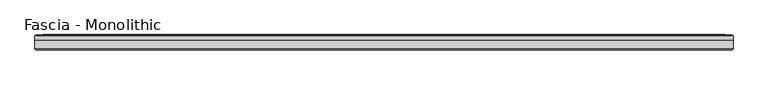
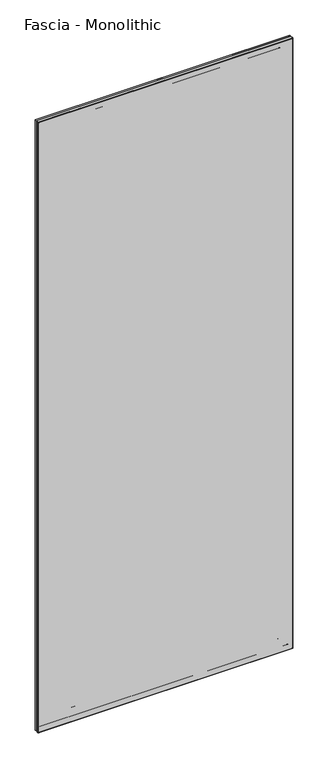
"""IFC4 building model written with IfcOpenShell, lengths in millimetres: proxy geometry, Fascia - Monolithic."""

import ifcopenshell
import ifcopenshell.guid

model = None  # the IFC model being written
_history = None  # IfcOwnerHistory: only IFC2X3 demands one
_inside = {}  # id of a spatial element -> (the spatial element, [elements in it])
_under = {}  # id of a project, library or spatial element -> (it, [spatial elements below it])
_declared = {}  # id of a project -> (the project, [libraries it declares])
_typed = {}  # id of a type object -> (the type object, [elements of that type])
_made_of = {}  # id of a material, layer set ... -> (it, [elements and type objects made of it])


def new_model(schema):
    """Start an empty IFC model of exactly this schema.

    Asked for "IFC4X3", IfcOpenShell would pick the latest addendum, in which some entities
    have other attributes; the version numbers below select the first issue.
    IFC2X3 requires an IfcOwnerHistory on every rooted entity: one is made here for all.
    """
    global model, _history
    if schema == "IFC4X3":
        model = ifcopenshell.file(schema_version=(4, 3, 0, 0))
    else:
        model = ifcopenshell.file(schema=schema)
    _inside.clear()
    _under.clear()
    _declared.clear()
    _typed.clear()
    _made_of.clear()
    _history = None
    if model.schema == "IFC2X3":
        org = make("IfcOrganization", Name="unknown")
        user = make(
            "IfcPersonAndOrganization",
            ThePerson=make("IfcPerson", FamilyName="unknown"),
            TheOrganization=org,
        )
        app = make(
            "IfcApplication",
            ApplicationDeveloper=org,
            Version="unknown",
            ApplicationFullName="unknown",
            ApplicationIdentifier="unknown",
        )
        _history = make(
            "IfcOwnerHistory",
            OwningUser=user,
            OwningApplication=app,
            ChangeAction="ADDED",
            CreationDate=0,
        )
    return model


def make(cls, **values):
    """One entity of the class cls with the attributes given. An attribute that is None is left unset."""
    return model.create_entity(
        cls, **{name: value for name, value in values.items() if value is not None}
    )


def rooted(cls, **values):
    """An entity with a GlobalId (a new one), such as an element, a storey or a relation."""
    return make(cls, GlobalId=ifcopenshell.guid.new(), OwnerHistory=_history, **values)


def si_unit(unit_type, name, prefix=None):
    """IfcSIUnit, for example si_unit("LENGTHUNIT", "METRE", prefix="MILLI")."""
    return make("IfcSIUnit", UnitType=unit_type, Prefix=prefix, Name=name)


def assignment(units):
    """IfcUnitAssignment: the units of a project."""
    return None if units is None else make("IfcUnitAssignment", Units=units)


def point(xyz):
    """IfcCartesianPoint."""
    return None if xyz is None else make("IfcCartesianPoint", Coordinates=xyz)


def direction(xyz):
    """IfcDirection."""
    return None if xyz is None else make("IfcDirection", DirectionRatios=xyz)


def frame(location, z_axis=None, x_axis=None):
    """IfcAxis2Placement3D, a coordinate frame: its origin and axes. An axis left out is left unset."""
    return make(
        "IfcAxis2Placement3D",
        Location=point(location),
        Axis=direction(z_axis),
        RefDirection=direction(x_axis),
    )


def origin():
    """The frame at (0, 0, 0) with its axes left unset."""
    return frame((0.0, 0.0, 0.0))


def place(relative_to, where):
    """IfcLocalPlacement: puts the frame where relative to a parent placement (None: the world)."""
    return make(
        "IfcLocalPlacement", PlacementRelTo=relative_to, RelativePlacement=where
    )


def context(
    kind, dimensions, precision=None, world=None, true_north=None, identifier=None
):
    """IfcGeometricRepresentationContext, for example the 3D "Model" context."""
    return make(
        "IfcGeometricRepresentationContext",
        ContextIdentifier=identifier,
        ContextType=kind,
        CoordinateSpaceDimension=dimensions,
        Precision=precision,
        WorldCoordinateSystem=world,
        TrueNorth=true_north,
    )


def project(units=None, contexts=None):
    """IfcProject with its units and contexts."""
    return rooted(
        "IfcProject",
        Name="project",
        RepresentationContexts=contexts,
        UnitsInContext=assignment(units),
    )


def spatial(cls, under=None, at=None, **own):
    """A site, building, storey or space (cls), placed at a placement, below another one or the project."""
    s = rooted(cls, ObjectPlacement=at, **own)
    if under is not None:
        _under.setdefault(under.id(), (under, []))[1].append(s)
    return s


def ellipse_curve(where, semi_axis1, semi_axis2):
    """IfcEllipse in the frame where."""
    return make(
        "IfcEllipse", Position=where, SemiAxis1=semi_axis1, SemiAxis2=semi_axis2
    )


def shape(context_of_items, identifier, shape_type, items):
    """IfcShapeRepresentation: the items that make up one representation, for example the "Body"."""
    return make(
        "IfcShapeRepresentation",
        ContextOfItems=context_of_items,
        RepresentationIdentifier=identifier,
        RepresentationType=shape_type,
        Items=items,
    )


def source(mapping_origin, context_of_items, identifier, shape_type, items):
    """IfcRepresentationMap: a shape defined once, which mapped items show again and again."""
    return make(
        "IfcRepresentationMap",
        MappingOrigin=mapping_origin,
        MappedRepresentation=shape(context_of_items, identifier, shape_type, items),
    )


def transform(
    local_origin,
    x_axis=None,
    y_axis=None,
    z_axis=None,
    scale=None,
    scale2=None,
    scale3=None,
    uniform=True,
):
    """IfcCartesianTransformationOperator3D, or its non-uniform kind. x_axis, y_axis, z_axis: its Axis1, 2, 3."""
    if uniform:
        return make(
            "IfcCartesianTransformationOperator3D",
            Axis1=direction(x_axis),
            Axis2=direction(y_axis),
            LocalOrigin=point(local_origin),
            Scale=scale,
            Axis3=direction(z_axis),
        )
    return make(
        "IfcCartesianTransformationOperator3DnonUniform",
        Axis1=direction(x_axis),
        Axis2=direction(y_axis),
        LocalOrigin=point(local_origin),
        Scale=scale,
        Axis3=direction(z_axis),
        Scale2=scale2,
        Scale3=scale3,
    )


def mapped(mapping_source, mapping_target):
    """IfcMappedItem: shows the shape of a source again, moved by a transform."""
    return make(
        "IfcMappedItem", MappingSource=mapping_source, MappingTarget=mapping_target
    )


def made_of(thing, what):
    """Note that an element or type object is made of a material, layer set ...; save() writes the relation."""
    if what is not None:
        _made_of.setdefault(what.id(), (what, []))[1].append(thing)
    return thing


def element(
    cls,
    number,
    at=None,
    inside=None,
    cuts=None,
    type_object=None,
    material=None,
    context=None,
    identifier="Body",
    shape_type=None,
    held_by="IfcProductDefinitionShape",
    body=None,
    shapes=None,
    **own,
):
    """One element of the class cls, such as IfcWall. Its Tag is "e" and its number.

    at: its placement. inside: the storey or other place that contains it. cuts: it is an
    opening in that element (IfcRelVoidsElement). A single representation is given by context,
    identifier, shape_type and body (its items); several are given by shapes. held_by: the class
    of the entity that holds the representations. save() writes the other relations.
    """
    e = rooted(cls, Tag="e%d" % number, ObjectPlacement=at, **own)
    if body is not None:
        shapes = [shape(context, identifier, shape_type, body)]
    if shapes is not None:
        e.Representation = make(held_by, Representations=shapes)
    if inside is not None:
        _inside.setdefault(inside.id(), (inside, []))[1].append(e)
    if cuts is not None:
        rooted(
            "IfcRelVoidsElement", RelatingBuildingElement=cuts, RelatedOpeningElement=e
        )
    if type_object is not None:
        _typed.setdefault(type_object.id(), (type_object, []))[1].append(e)
    return made_of(e, material)


def aggregate(whole, parts):
    """IfcRelAggregates: a whole, such as a stair, and the parts it consists of."""
    return rooted("IfcRelAggregates", RelatingObject=whole, RelatedObjects=parts)


def save(model, path):
    """Write the relations noted so far, then the file.

    IfcRelAggregates (storeys below a building ...), IfcRelContainedInSpatialStructure (elements
    in a storey), IfcRelDefinesByType, IfcRelAssociatesMaterial and IfcRelDeclares: one each for
    every whole, place, type object, material and project.
    """
    for whole, parts in _under.values():
        aggregate(whole, parts)
    for where, things in _inside.values():
        rooted(
            "IfcRelContainedInSpatialStructure",
            RelatedElements=things,
            RelatingStructure=where,
        )
    for kind, things in _typed.values():
        rooted("IfcRelDefinesByType", RelatedObjects=things, RelatingType=kind)
    for what, things in _made_of.values():
        rooted("IfcRelAssociatesMaterial", RelatedObjects=things, RelatingMaterial=what)
    for by, libraries in _declared.values():
        rooted("IfcRelDeclares", RelatingContext=by, RelatedDefinitions=libraries)
    model.write(path)


def plane_surface(at):
    """IfcPlane: the flat surface through the origin of the frame at, square to its z axis."""
    return make("IfcPlane", Position=at)


def cylinder_surface(at, radius):
    """IfcCylindricalSurface: all points at the distance radius from the z axis of the frame at."""
    return make("IfcCylindricalSurface", Position=at, Radius=radius)


def advanced_brep(points, edges, surfaces, faces):
    """IfcAdvancedBrep: a solid bounded by faces that lie on surfaces and meet in shared edges.

    An edge is (start, end): straight between two places in points (the first is 0);
    or (start, end, curve); or (start, end, curve, False) where it runs against its curve.
    A face is (place in surfaces, loops), or (place, loops, False) where it looks against
    its surface's normal. A loop lists edges by number (the first is 1), with a minus sign
    where the edge is run from its end to its start. The first loop is the outer one.
    """
    corners = [point(p) for p in points]
    vertices = [make("IfcVertexPoint", VertexGeometry=c) for c in corners]
    made = []
    for start, end, *more in edges:
        made.append(
            make(
                "IfcEdgeCurve",
                EdgeStart=vertices[start],
                EdgeEnd=vertices[end],
                EdgeGeometry=more[0] if more else make("IfcPolyline", Points=[corners[start], corners[end]]),
                SameSense=more[1] if len(more) > 1 else True,
            )
        )
    hull = []
    for where, loops, *sense in faces:
        bounds = []
        for j, loop in enumerate(loops):
            ring = [make("IfcOrientedEdge", EdgeElement=made[abs(k) - 1], Orientation=k > 0) for k in loop]
            bounds.append(
                make(
                    "IfcFaceOuterBound" if j == 0 else "IfcFaceBound",
                    Bound=make("IfcEdgeLoop", EdgeList=ring),
                    Orientation=True,
                )
            )
        hull.append(make("IfcAdvancedFace", Bounds=bounds, FaceSurface=surfaces[where], SameSense=sense[0] if sense else True))
    return make("IfcAdvancedBrep", Outer=make("IfcClosedShell", CfsFaces=hull))


def fascia_monolithic_079d96c7(model_context):
    return source(origin(), model_context, "Body", "AdvancedBrep", [
        advanced_brep(
        [(-545.4436421, 15.8650077, 46.2434077), (545.4436421, 15.8650077, 46.2434077), (545.7130498, 16.7386, 45.974), (-545.7130498, 16.7386, 45.974), (-546.6174575, 14.6911923, 45.0695923), (546.6174575, 14.6911923, 45.0695923), (-539.5308575, 15.8650077, 52.1561923), (539.5308575, 15.8650077, 52.1561923), (538.3570421, 14.6911923, 53.3300077), (-538.3570421, 14.6911923, 53.3300077), (-539.2614498, 16.7386, 52.4256), (539.2614498, 16.7386, 52.4256), (-522.9800498, 15.5956, 68.707), (522.9800498, 15.5956, 68.707), (523.7420498, 16.7386, 67.945), (-523.7420498, 16.7386, 67.945), (-510.6610498, 8.4836, 81.026), (510.6610498, 8.4836, 81.026), (510.6610498, 15.5956, 81.026), (-510.6610498, 15.5956, 81.026), (-591.6870498, 15.2146, 0.0), (591.6870498, 15.2146, 0.0), (591.6870498, 8.4836, 0.0), (-591.6870498, 8.4836, 0.0), (-590.1630498, 16.7386, 1.524), (590.1630498, 16.7386, 1.524), (-588.1156421, 15.8650077, 3.5714077), (588.1156421, 15.8650077, 3.5714077), (588.3850498, 16.7386, 3.302), (-588.3850498, 16.7386, 3.302), (-589.2894575, 14.6911923, 2.3975923), (589.2894575, 14.6911923, 2.3975923), (-582.2028575, 15.8650077, 9.4841923), (582.2028575, 15.8650077, 9.4841923), (581.0290421, 14.6911923, 10.6580077), (-581.0290421, 14.6911923, 10.6580077), (-581.9334498, 16.7386, 9.7536), (581.9334498, 16.7386, 9.7536), (-577.0439498, 16.7386, 14.6431), (577.0439498, 16.7386, 14.6431), (578.5679498, 16.7386, 13.1191), (-578.5679498, 16.7386, 13.1191), (-571.0749498, 16.7386, 20.6121), (571.0749498, 16.7386, 20.6121), (573.4879498, 16.7386, 18.1991), (-573.4879498, 16.7386, 18.1991), (545.4436421, 15.8650077, 2946.4799923), (545.7130498, 16.7386, 2946.7494), (546.6174575, 14.6911923, 2947.6538077), (539.5308575, 15.8650077, 2940.5672077), (538.3570421, 14.6911923, 2939.3933923), (539.2614498, 16.7386, 2940.2978), (522.9800498, 15.5956, 2924.0164), (523.7420498, 16.7386, 2924.7784), (510.6610498, 8.4836, 2911.6974), (510.6610498, 15.5956, 2911.6974), (591.6870498, 15.2146, 2992.7234), (591.6870498, 8.4836, 2992.7234), (590.1630498, 16.7386, 2991.1994), (588.1156421, 15.8650077, 2989.1519923), (588.3850498, 16.7386, 2989.4214), (589.2894575, 14.6911923, 2990.3258077), (582.2028575, 15.8650077, 2983.2392077), (581.0290421, 14.6911923, 2982.0653923), (581.9334498, 16.7386, 2982.9698), (577.0439498, 16.7386, 2978.0803), (578.5679498, 16.7386, 2979.6043), (571.0749498, 16.7386, 2972.1113), (573.4879498, 16.7386, 2974.5243), (-545.4436421, 15.8650077, 2946.4799923), (-545.7130498, 16.7386, 2946.7494), (-546.6174575, 14.6911923, 2947.6538077), (-539.5308575, 15.8650077, 2940.5672077), (-538.3570421, 14.6911923, 2939.3933923), (-539.2614498, 16.7386, 2940.2978), (-522.9800498, 15.5956, 2924.0164), (-523.7420498, 16.7386, 2924.7784), (-510.6610498, 8.4836, 2911.6974), (-510.6610498, 15.5956, 2911.6974), (-591.6870498, 15.2146, 2992.7234), (-591.6870498, 8.4836, 2992.7234), (-590.1630498, 16.7386, 2991.1994), (-588.1156421, 15.8650077, 2989.1519923), (-588.3850498, 16.7386, 2989.4214), (-589.2894575, 14.6911923, 2990.3258077), (-582.2028575, 15.8650077, 2983.2392077), (-581.0290421, 14.6911923, 2982.0653923), (-581.9334498, 16.7386, 2982.9698), (-577.0439498, 16.7386, 2978.0803), (-578.5679498, 16.7386, 2979.6043), (-571.0749498, 16.7386, 2972.1113), (-573.4879498, 16.7386, 2974.5243)],
        [
            (0, 1),
            (1, 2, ellipse_curve(frame((545.8092344, 16.2306, 45.8778154), z_axis=(-0.7071067811865475, 0.0, -0.7071067811865475), x_axis=(-0.7071067811865476, 0.0, 0.7071067811865474)), 0.7311846, 0.5170256)),
            (2, 3),
            (3, 0, ellipse_curve(frame((-545.8092344, 16.2306, 45.8778154), z_axis=(0.7071067811865475, 0.0, -0.7071067811865475), x_axis=(-0.7071067811865476, 0.0, -0.7071067811865474)), 0.7311846, 0.5170256)),
            (4, 5),
            (5, 1),
            (0, 4),
            (6, 7),
            (7, 8),
            (8, 9),
            (9, 6),
            (10, 11),
            (11, 7, ellipse_curve(frame((539.1652651, 16.2306, 52.5217846), z_axis=(-0.7071067811865475, 0.0, -0.7071067811865475), x_axis=(-0.7071067811865476, 0.0, 0.7071067811865474)), 0.7311846, 0.5170256)),
            (6, 10, ellipse_curve(frame((-539.1652651, 16.2306, 52.5217846), z_axis=(0.7071067811865475, 0.0, -0.7071067811865475), x_axis=(-0.7071067811865476, 0.0, -0.7071067811865474)), 0.7311846, 0.5170256)),
            (12, 13),
            (13, 14),
            (14, 15),
            (15, 12),
            (16, 17),
            (17, 18),
            (18, 19),
            (19, 16),
            (20, 21),
            (21, 22),
            (22, 23),
            (23, 20),
            (24, 25),
            (25, 21),
            (20, 24),
            (26, 27),
            (27, 28, ellipse_curve(frame((588.4812344, 16.2306, 3.2058154), z_axis=(-0.7071067811865475, 0.0, -0.7071067811865475), x_axis=(-0.7071067811865476, 0.0, 0.7071067811865474)), 0.7311846, 0.5170256)),
            (28, 29),
            (29, 26, ellipse_curve(frame((-588.4812344, 16.2306, 3.2058154), z_axis=(0.7071067811865475, 0.0, -0.7071067811865475), x_axis=(-0.7071067811865476, 0.0, -0.7071067811865474)), 0.7311846, 0.5170256)),
            (30, 31),
            (31, 27),
            (26, 30),
            (32, 33),
            (33, 34),
            (34, 35),
            (35, 32),
            (36, 37),
            (37, 33, ellipse_curve(frame((581.8372651, 16.2306, 9.8497846), z_axis=(-0.7071067811865475, 0.0, -0.7071067811865475), x_axis=(-0.7071067811865476, 0.0, 0.7071067811865474)), 0.7311846, 0.5170256)),
            (32, 36, ellipse_curve(frame((-581.8372651, 16.2306, 9.8497846), z_axis=(0.7071067811865475, 0.0, -0.7071067811865475), x_axis=(-0.7071067811865476, 0.0, -0.7071067811865474)), 0.7311846, 0.5170256)),
            (38, 39),
            (39, 40, ellipse_curve(frame((577.8059498, 16.7386, 13.8811), z_axis=(-0.7071067811865475, 0.0, -0.7071067811865475), x_axis=(-0.7071067811865476, 0.0, 0.7071067811865474)), 1.0776307, 0.762)),
            (40, 41),
            (41, 38, ellipse_curve(frame((-577.8059498, 16.7386, 13.8811), z_axis=(0.7071067811865475, 0.0, -0.7071067811865475), x_axis=(-0.7071067811865476, 0.0, -0.7071067811865474)), 1.0776307, 0.762)),
            (42, 43),
            (43, 44, ellipse_curve(frame((572.2814498, 16.0202269, 19.4056), z_axis=(-0.7071067811865475, 0.0, -0.7071067811865475), x_axis=(-0.7071067811865476, 0.0, 0.7071067811865474)), 1.9858007, 1.4041731)),
            (44, 45),
            (45, 42, ellipse_curve(frame((-572.2814498, 16.0202269, 19.4056), z_axis=(0.7071067811865475, 0.0, -0.7071067811865475), x_axis=(-0.7071067811865476, 0.0, -0.7071067811865474)), 1.9858007, 1.4041731)),
            (1, 46),
            (46, 47, ellipse_curve(frame((545.8092344, 16.2306, 2946.8455846), z_axis=(0.7071067811865475, 0.0, -0.7071067811865475), x_axis=(-0.7071067811865474, 0.0, -0.7071067811865476)), 0.7311846, 0.5170256)),
            (47, 2),
            (5, 48),
            (48, 46),
            (7, 49),
            (49, 50),
            (50, 8),
            (11, 51),
            (51, 49, ellipse_curve(frame((539.1652651, 16.2306, 2940.2016154), z_axis=(0.7071067811865475, 0.0, -0.7071067811865475), x_axis=(-0.7071067811865474, 0.0, -0.7071067811865476)), 0.7311846, 0.5170256)),
            (13, 52),
            (52, 53),
            (53, 14),
            (17, 54),
            (54, 55),
            (55, 18),
            (21, 56),
            (56, 57),
            (57, 22),
            (25, 58),
            (58, 56),
            (27, 59),
            (59, 60, ellipse_curve(frame((588.4812344, 16.2306, 2989.5175846), z_axis=(0.7071067811865475, 0.0, -0.7071067811865475), x_axis=(-0.7071067811865474, 0.0, -0.7071067811865476)), 0.7311846, 0.5170256)),
            (60, 28),
            (31, 61),
            (61, 59),
            (33, 62),
            (62, 63),
            (63, 34),
            (37, 64),
            (64, 62, ellipse_curve(frame((581.8372651, 16.2306, 2982.8736154), z_axis=(0.7071067811865475, 0.0, -0.7071067811865475), x_axis=(-0.7071067811865474, 0.0, -0.7071067811865476)), 0.7311846, 0.5170256)),
            (39, 65),
            (65, 66, ellipse_curve(frame((577.8059498, 16.7386, 2978.8423), z_axis=(0.7071067811865475, 0.0, -0.7071067811865475), x_axis=(-0.7071067811865474, 0.0, -0.7071067811865476)), 1.0776307, 0.762)),
            (66, 40),
            (43, 67),
            (67, 68, ellipse_curve(frame((572.2814498, 16.0202269, 2973.3178), z_axis=(0.7071067811865475, 0.0, -0.7071067811865475), x_axis=(-0.7071067811865474, 0.0, -0.7071067811865476)), 1.9858007, 1.4041731)),
            (68, 44),
            (46, 69),
            (69, 70, ellipse_curve(frame((-545.8092344, 16.2306, 2946.8455846), z_axis=(0.7071067811865475, 0.0, 0.7071067811865475), x_axis=(0.7071067811865476, 0.0, -0.7071067811865474)), 0.7311846, 0.5170256)),
            (70, 47),
            (48, 71),
            (71, 69),
            (49, 72),
            (72, 73),
            (73, 50),
            (51, 74),
            (74, 72, ellipse_curve(frame((-539.1652651, 16.2306, 2940.2016154), z_axis=(0.7071067811865475, 0.0, 0.7071067811865475), x_axis=(0.7071067811865476, 0.0, -0.7071067811865474)), 0.7311846, 0.5170256)),
            (52, 75),
            (75, 76),
            (76, 53),
            (54, 77),
            (77, 78),
            (78, 55),
            (56, 79),
            (79, 80),
            (80, 57),
            (58, 81),
            (81, 79),
            (59, 82),
            (82, 83, ellipse_curve(frame((-588.4812344, 16.2306, 2989.5175846), z_axis=(0.7071067811865475, 0.0, 0.7071067811865475), x_axis=(0.7071067811865476, 0.0, -0.7071067811865474)), 0.7311846, 0.5170256)),
            (83, 60),
            (61, 84),
            (84, 82),
            (62, 85),
            (85, 86),
            (86, 63),
            (64, 87),
            (87, 85, ellipse_curve(frame((-581.8372651, 16.2306, 2982.8736154), z_axis=(0.7071067811865475, 0.0, 0.7071067811865475), x_axis=(0.7071067811865476, 0.0, -0.7071067811865474)), 0.7311846, 0.5170256)),
            (65, 88),
            (88, 89, ellipse_curve(frame((-577.8059498, 16.7386, 2978.8423), z_axis=(0.7071067811865475, 0.0, 0.7071067811865475), x_axis=(0.7071067811865476, 0.0, -0.7071067811865474)), 1.0776307, 0.762)),
            (89, 66),
            (67, 90),
            (90, 91, ellipse_curve(frame((-572.2814498, 16.0202269, 2973.3178), z_axis=(0.7071067811865475, 0.0, 0.7071067811865475), x_axis=(0.7071067811865476, 0.0, -0.7071067811865474)), 1.9858007, 1.4041731)),
            (91, 68),
            (42, 90),
            (70, 3),
            (69, 0),
            (71, 4),
            (73, 9),
            (72, 6),
            (74, 10),
            (76, 15),
            (75, 12),
            (78, 19),
            (77, 16),
            (80, 23),
            (79, 20),
            (81, 24),
            (83, 29),
            (82, 26),
            (84, 30),
            (86, 35),
            (85, 32),
            (87, 36),
            (89, 41),
            (88, 38),
            (91, 45),
        ],
        [
            cylinder_surface(frame((-591.6870498, 16.2306, 45.8778154), z_axis=(-1.0, 0.0, 0.0), x_axis=(0.0, 0.0, 1.0)), 0.5170256),
            plane_surface(frame((-545.4436421, 15.8650077, 46.2434077), z_axis=(0.0, -0.7071067813016592, 0.7071067810714359), x_axis=(1.0, 0.0, 0.0))),
            plane_surface(frame((-538.3570421, 14.6911923, 53.3300077), z_axis=(0.0, -0.7071067813016237, -0.7071067810714713), x_axis=(1.0, 0.0, 0.0))),
            cylinder_surface(frame((-591.6870498, 16.2306, 52.5217846), z_axis=(-1.0, 0.0, 0.0), x_axis=(0.0, 0.0, 1.0)), 0.5170256),
            plane_surface(frame((-523.7420498, 16.7386, 67.945), z_axis=(0.0, 0.554700195976685, 0.8320502945035398), x_axis=(1.0, 0.0, 0.0))),
            plane_surface(frame((-510.6610498, 15.5956, 81.026), z_axis=(0.0, 0.0, 1.0), x_axis=(1.0, 0.0, 0.0))),
            plane_surface(frame((-591.6870498, 8.4836, 0.0), z_axis=(0.0, 0.0, -1.0), x_axis=(1.0, 0.0, 0.0))),
            plane_surface(frame((-591.6870498, 15.2146, 0.0), z_axis=(0.0, 0.7071067811865392, -0.7071067811865558), x_axis=(1.0, 0.0, 0.0))),
            cylinder_surface(frame((-591.6870498, 16.2306, 3.2058154), z_axis=(-1.0, 0.0, 0.0), x_axis=(0.0, 0.0, 1.0)), 0.5170256),
            plane_surface(frame((-588.1156421, 15.8650077, 3.5714077), z_axis=(0.0, -0.707106781113895, 0.7071067812592001), x_axis=(1.0, 0.0, 0.0))),
            plane_surface(frame((-581.0290421, 14.6911923, 10.6580077), z_axis=(0.0, -0.7071067811880475, -0.7071067811850476), x_axis=(1.0, 0.0, 0.0))),
            cylinder_surface(frame((-591.6870498, 16.2306, 9.8497846), z_axis=(-1.0, 0.0, 0.0), x_axis=(0.0, 0.0, 1.0)), 0.5170256),
            cylinder_surface(frame((-591.6870498, 16.7386, 13.8811), z_axis=(-1.0, 0.0, 0.0), x_axis=(0.0, 0.0, 1.0)), 0.762),
            cylinder_surface(frame((-591.6870498, 16.0202269, 19.4056), z_axis=(-1.0, 0.0, 0.0), x_axis=(0.0, 0.0, 1.0)), 1.4041731),
            cylinder_surface(frame((545.8092344, 16.2306, 0.0), z_axis=(0.0, 0.0, -1.0), x_axis=(-1.0, 0.0, 0.0)), 0.5170256),
            plane_surface(frame((545.4436421, 15.8650077, 46.2434077), z_axis=(-0.7071067810714261, -0.7071067813016689, 0.0), x_axis=(0.0, 0.0, 1.0))),
            plane_surface(frame((538.3570421, 14.6911923, 53.3300077), z_axis=(0.7071067810714811, -0.707106781301614, 0.0), x_axis=(0.0, 0.0, 1.0))),
            cylinder_surface(frame((539.1652651, 16.2306, 0.0), z_axis=(0.0, 0.0, -1.0), x_axis=(-1.0, 0.0, 0.0)), 0.5170256),
            plane_surface(frame((523.7420498, 16.7386, 67.945), z_axis=(-0.8320502945035475, 0.5547001959766734, 0.0), x_axis=(0.0, 0.0, 1.0))),
            plane_surface(frame((510.6610498, 15.5956, 81.026), z_axis=(-1.0, 0.0, 0.0), x_axis=(0.0, 0.0, 1.0))),
            plane_surface(frame((591.6870498, 8.4836, 0.0), z_axis=(1.0, 0.0, 0.0), x_axis=(0.0, 0.0, 1.0))),
            plane_surface(frame((591.6870498, 15.2146, 0.0), z_axis=(0.707106781186546, 0.707106781186549, 0.0), x_axis=(0.0, 0.0, 1.0))),
            cylinder_surface(frame((588.4812344, 16.2306, 0.0), z_axis=(0.0, 0.0, -1.0), x_axis=(-1.0, 0.0, 0.0)), 0.5170256),
            plane_surface(frame((588.1156421, 15.8650077, 3.5714077), z_axis=(-0.7071067812591904, -0.7071067811139048, 0.0), x_axis=(0.0, 0.0, 1.0))),
            plane_surface(frame((581.0290421, 14.6911923, 10.6580077), z_axis=(0.7071067811850573, -0.7071067811880377, 0.0), x_axis=(0.0, 0.0, 1.0))),
            cylinder_surface(frame((581.8372651, 16.2306, 0.0), z_axis=(0.0, 0.0, -1.0), x_axis=(-1.0, 0.0, 0.0)), 0.5170256),
            cylinder_surface(frame((577.8059498, 16.7386, 0.0), z_axis=(0.0, 0.0, -1.0), x_axis=(-1.0, 0.0, 0.0)), 0.762),
            cylinder_surface(frame((572.2814498, 16.0202269, 0.0), z_axis=(0.0, 0.0, -1.0), x_axis=(-1.0, 0.0, 0.0)), 1.4041731),
            cylinder_surface(frame((591.6870498, 16.2306, 2946.8455846), z_axis=(1.0, 0.0, 0.0), x_axis=(0.0, 0.0, -1.0)), 0.5170256),
            plane_surface(frame((545.4436421, 15.8650077, 2946.4799923), z_axis=(0.0, -0.7071067813016787, -0.7071067810714163), x_axis=(-1.0, 0.0, 0.0))),
            plane_surface(frame((538.3570421, 14.6911923, 2939.3933923), z_axis=(0.0, -0.7071067813016042, 0.7071067810714908), x_axis=(-1.0, 0.0, 0.0))),
            cylinder_surface(frame((591.6870498, 16.2306, 2940.2016154), z_axis=(1.0, 0.0, 0.0), x_axis=(0.0, 0.0, -1.0)), 0.5170256),
            plane_surface(frame((523.7420498, 16.7386, 2924.7784), z_axis=(0.0, 0.5547001959766619, -0.8320502945035552), x_axis=(-1.0, 0.0, 0.0))),
            plane_surface(frame((510.6610498, 15.5956, 2911.6974), z_axis=(0.0, 0.0, -1.0), x_axis=(-1.0, 0.0, 0.0))),
            plane_surface(frame((591.6870498, 8.4836, 2992.7234), z_axis=(0.0, 0.0, 1.0), x_axis=(-1.0, 0.0, 0.0))),
            plane_surface(frame((591.6870498, 15.2146, 2992.7234), z_axis=(0.0, 0.7071067811865588, 0.7071067811865362), x_axis=(-1.0, 0.0, 0.0))),
            cylinder_surface(frame((591.6870498, 16.2306, 2989.5175846), z_axis=(1.0, 0.0, 0.0), x_axis=(0.0, 0.0, -1.0)), 0.5170256),
            plane_surface(frame((588.1156421, 15.8650077, 2989.1519923), z_axis=(0.0, -0.7071067811139146, -0.7071067812591806), x_axis=(-1.0, 0.0, 0.0))),
            plane_surface(frame((581.0290421, 14.6911923, 2982.0653923), z_axis=(0.0, -0.7071067811880279, 0.7071067811850671), x_axis=(-1.0, 0.0, 0.0))),
            cylinder_surface(frame((591.6870498, 16.2306, 2982.8736154), z_axis=(1.0, 0.0, 0.0), x_axis=(0.0, 0.0, -1.0)), 0.5170256),
            cylinder_surface(frame((591.6870498, 16.7386, 2978.8423), z_axis=(1.0, 0.0, 0.0), x_axis=(0.0, 0.0, -1.0)), 0.762),
            cylinder_surface(frame((591.6870498, 16.0202269, 2973.3178), z_axis=(1.0, 0.0, 0.0), x_axis=(0.0, 0.0, -1.0)), 1.4041731),
            plane_surface(frame((-571.0749498, 16.7386, 2972.1113), z_axis=(0.0, 1.0, 0.0), x_axis=(0.0, 0.0, -1.0))),
            cylinder_surface(frame((-545.8092344, 16.2306, 2992.7234), z_axis=(0.0, 0.0, 1.0), x_axis=(1.0, 0.0, 0.0)), 0.5170256),
            plane_surface(frame((-545.4436421, 15.8650077, 2946.4799923), z_axis=(0.7071067810714261, -0.7071067813016689, 0.0), x_axis=(0.0, 0.0, -1.0))),
            plane_surface(frame((-546.6174575, 14.6911923, 2947.6538077), z_axis=(0.0, 1.0, 0.0), x_axis=(0.0, 0.0, -1.0))),
            plane_surface(frame((-538.3570421, 14.6911923, 2939.3933923), z_axis=(-0.7071067810714811, -0.707106781301614, 0.0), x_axis=(0.0, 0.0, -1.0))),
            cylinder_surface(frame((-539.1652651, 16.2306, 2992.7234), z_axis=(0.0, 0.0, 1.0), x_axis=(1.0, 0.0, 0.0)), 0.5170256),
            plane_surface(frame((-539.2614498, 16.7386, 2940.2978), z_axis=(0.0, 1.0, 0.0), x_axis=(0.0, 0.0, -1.0))),
            plane_surface(frame((-523.7420498, 16.7386, 2924.7784), z_axis=(0.8320502945035475, 0.5547001959766734, 0.0), x_axis=(0.0, 0.0, -1.0))),
            plane_surface(frame((-522.9800498, 15.5956, 2924.0164), z_axis=(0.0, 1.0, 0.0), x_axis=(0.0, 0.0, -1.0))),
            plane_surface(frame((-510.6610498, 15.5956, 2911.6974), z_axis=(1.0, 0.0, 0.0), x_axis=(0.0, 0.0, -1.0))),
            plane_surface(frame((-510.6610498, 8.4836, 2911.6974), z_axis=(0.0, -1.0, 0.0), x_axis=(0.0, 0.0, -1.0))),
            plane_surface(frame((-591.6870498, 8.4836, 2992.7234), z_axis=(-1.0, 0.0, 0.0), x_axis=(0.0, 0.0, -1.0))),
            plane_surface(frame((-591.6870498, 15.2146, 2992.7234), z_axis=(-0.707106781186546, 0.707106781186549, 0.0), x_axis=(0.0, 0.0, -1.0))),
            plane_surface(frame((-590.1630498, 16.7386, 2991.1994), z_axis=(0.0, 1.0, 0.0), x_axis=(0.0, 0.0, -1.0))),
            cylinder_surface(frame((-588.4812344, 16.2306, 2992.7234), z_axis=(0.0, 0.0, 1.0), x_axis=(1.0, 0.0, 0.0)), 0.5170256),
            plane_surface(frame((-588.1156421, 15.8650077, 2989.1519923), z_axis=(0.7071067812591904, -0.7071067811139048, 0.0), x_axis=(0.0, 0.0, -1.0))),
            plane_surface(frame((-589.2894575, 14.6911923, 2990.3258077), z_axis=(0.0, 1.0, 0.0), x_axis=(0.0, 0.0, -1.0))),
            plane_surface(frame((-581.0290421, 14.6911923, 2982.0653923), z_axis=(-0.7071067811850573, -0.7071067811880377, 0.0), x_axis=(0.0, 0.0, -1.0))),
            cylinder_surface(frame((-581.8372651, 16.2306, 2992.7234), z_axis=(0.0, 0.0, 1.0), x_axis=(1.0, 0.0, 0.0)), 0.5170256),
            plane_surface(frame((-581.9334498, 16.7386, 2982.9698), z_axis=(0.0, 1.0, 0.0), x_axis=(0.0, 0.0, -1.0))),
            cylinder_surface(frame((-577.8059498, 16.7386, 2992.7234), z_axis=(0.0, 0.0, 1.0), x_axis=(1.0, 0.0, 0.0)), 0.762),
            plane_surface(frame((-577.0439498, 16.7386, 2978.0803), z_axis=(0.0, 1.0, 0.0), x_axis=(0.0, 0.0, -1.0))),
            cylinder_surface(frame((-572.2814498, 16.0202269, 2992.7234), z_axis=(0.0, 0.0, 1.0), x_axis=(1.0, 0.0, 0.0)), 1.4041731),
        ],
        [
            (0, [[1, 2, 3, 4]]),
            (1, [[5, 6, -1, 7]]),
            (2, [[8, 9, 10, 11]]),
            (3, [[12, 13, -8, 14]]),
            (4, [[15, 16, 17, 18]]),
            (5, [[19, 20, 21, 22]]),
            (6, [[23, 24, 25, 26]]),
            (7, [[27, 28, -23, 29]]),
            (8, [[30, 31, 32, 33]]),
            (9, [[34, 35, -30, 36]]),
            (10, [[37, 38, 39, 40]]),
            (11, [[41, 42, -37, 43]]),
            (12, [[44, 45, 46, 47]]),
            (13, [[48, 49, 50, 51]]),
            (14, [[52, 53, 54, -2]]),
            (15, [[55, 56, -52, -6]]),
            (16, [[57, 58, 59, -9]]),
            (17, [[60, 61, -57, -13]]),
            (18, [[62, 63, 64, -16]]),
            (19, [[65, 66, 67, -20]]),
            (20, [[68, 69, 70, -24]]),
            (21, [[71, 72, -68, -28]]),
            (22, [[73, 74, 75, -31]]),
            (23, [[76, 77, -73, -35]]),
            (24, [[78, 79, 80, -38]]),
            (25, [[81, 82, -78, -42]]),
            (26, [[83, 84, 85, -45]]),
            (27, [[86, 87, 88, -49]]),
            (28, [[89, 90, 91, -53]]),
            (29, [[92, 93, -89, -56]]),
            (30, [[94, 95, 96, -58]]),
            (31, [[97, 98, -94, -61]]),
            (32, [[99, 100, 101, -63]]),
            (33, [[102, 103, 104, -66]]),
            (34, [[105, 106, 107, -69]]),
            (35, [[108, 109, -105, -72]]),
            (36, [[110, 111, 112, -74]]),
            (37, [[113, 114, -110, -77]]),
            (38, [[115, 116, 117, -79]]),
            (39, [[118, 119, -115, -82]]),
            (40, [[120, 121, 122, -84]]),
            (41, [[123, 124, 125, -87]]),
            (42, [[-48, 126, -123, -86], [-3, -54, -91, 127]]),
            (43, [[128, -4, -127, -90]]),
            (44, [[129, -7, -128, -93]]),
            (45, [[-5, -129, -92, -55], [-10, -59, -96, 130]]),
            (46, [[131, -11, -130, -95]]),
            (47, [[132, -14, -131, -98]]),
            (48, [[-12, -132, -97, -60], [-17, -64, -101, 133]]),
            (49, [[134, -18, -133, -100]]),
            (50, [[-15, -134, -99, -62], [-21, -67, -104, 135]]),
            (51, [[136, -22, -135, -103]]),
            (52, [[-25, -70, -107, 137], [-19, -136, -102, -65]]),
            (53, [[138, -26, -137, -106]]),
            (54, [[139, -29, -138, -109]]),
            (55, [[-27, -139, -108, -71], [-32, -75, -112, 140]]),
            (56, [[141, -33, -140, -111]]),
            (57, [[142, -36, -141, -114]]),
            (58, [[-34, -142, -113, -76], [-39, -80, -117, 143]]),
            (59, [[144, -40, -143, -116]]),
            (60, [[145, -43, -144, -119]]),
            (61, [[-41, -145, -118, -81], [-46, -85, -122, 146]]),
            (62, [[147, -47, -146, -121]]),
            (63, [[-44, -147, -120, -83], [-50, -88, -125, 148]]),
            (64, [[-126, -51, -148, -124]]),
        ],
    ),
        advanced_brep(
        [(-591.6870498, 8.4836, 2992.7234), (-591.6870498, -6.1862895, 2992.7234), (591.6870498, -6.1862895, 2992.7234), (591.6870498, 8.4836, 2992.7234), (591.6870498, 8.4836, 0.0), (591.6870498, -6.1862895, 0.0), (-591.6870498, -6.1862895, 0.0), (-591.6870498, 8.4836, 0.0), (589.3897393, -8.4836, 2.2973105), (589.3897393, -8.4836, 2990.4260895), (-589.3897393, -8.4836, 2990.4260895), (-589.3897393, -8.4836, 2.2973105)],
        [
            (0, 1),
            (1, 2),
            (2, 3),
            (3, 0),
            (4, 5),
            (5, 6),
            (6, 7),
            (7, 4),
            (8, 9),
            (9, 10),
            (10, 11),
            (11, 8),
            (6, 1),
            (0, 7),
            (3, 4),
            (2, 5),
            (11, 6, ellipse_curve(frame((-589.3897393, -6.1862895, 2.2973105), z_axis=(0.7071067811865475, 0.0, -0.7071067811865475), x_axis=(0.7071067811865476, 0.0, 0.7071067811865474)), 3.2488876, 2.2973105)),
            (5, 8, ellipse_curve(frame((589.3897393, -6.1862895, 2.2973105), z_axis=(-0.7071067811865475, 0.0, -0.7071067811865475), x_axis=(0.7071067811865476, 0.0, -0.7071067811865474)), 3.2488876, 2.2973105)),
            (2, 9, ellipse_curve(frame((589.3897393, -6.1862895, 2990.4260895), z_axis=(0.7071067811865475, 0.0, -0.7071067811865475), x_axis=(0.7071067811865474, 0.0, 0.7071067811865476)), 3.2488876, 2.2973105)),
            (1, 10, ellipse_curve(frame((-589.3897393, -6.1862895, 2990.4260895), z_axis=(0.7071067811865475, 0.0, 0.7071067811865475), x_axis=(-0.7071067811865476, 0.0, 0.7071067811865474)), 3.2488876, 2.2973105)),
        ],
        [
            plane_surface(frame((0.0, -198.5529455, 2992.7234), z_axis=(0.0, 0.0, 1.0), x_axis=(0.0, 1.0, 0.0))),
            plane_surface(frame((0.0, -198.5529455, 0.0), z_axis=(0.0, 0.0, -1.0), x_axis=(0.0, 1.0, 0.0))),
            plane_surface(frame((591.6870498, -8.4836, 2992.7234), z_axis=(0.0, -1.0, 0.0), x_axis=(0.0, 0.0, -1.0))),
            plane_surface(frame((-591.6870498, -8.4836, 2992.7234), z_axis=(-1.0, 0.0, 0.0), x_axis=(0.0, 0.0, -1.0))),
            plane_surface(frame((-591.6870498, 8.4836, 2992.7234), z_axis=(0.0, 1.0, 0.0), x_axis=(0.0, 0.0, -1.0))),
            plane_surface(frame((591.6870498, 8.4836, 2992.7234), z_axis=(1.0, 0.0, 0.0), x_axis=(0.0, 0.0, -1.0))),
            cylinder_surface(frame((-591.6870498, -6.1862895, 2.2973105), z_axis=(1.0, 0.0, 0.0), x_axis=(0.0, 1.0, 0.0)), 2.2973105),
            cylinder_surface(frame((589.3897393, -6.1862895, 0.0), z_axis=(0.0, 0.0, 1.0), x_axis=(0.0, 1.0, 0.0)), 2.2973105),
            cylinder_surface(frame((591.6870498, -6.1862895, 2990.4260895), z_axis=(-1.0, 0.0, 0.0), x_axis=(0.0, 1.0, 0.0)), 2.2973105),
            cylinder_surface(frame((-589.3897393, -6.1862895, 2992.7234), z_axis=(0.0, 0.0, -1.0), x_axis=(0.0, 1.0, 0.0)), 2.2973105),
        ],
        [
            (0, [[1, 2, 3, 4]]),
            (1, [[5, 6, 7, 8]]),
            (2, [[9, 10, 11, 12]]),
            (3, [[-7, 13, -1, 14]]),
            (4, [[15, -8, -14, -4]]),
            (5, [[-3, 16, -5, -15]]),
            (6, [[-12, 17, -6, 18]]),
            (7, [[-16, 19, -9, -18]]),
            (8, [[-2, 20, -10, -19]]),
            (9, [[-11, -20, -13, -17]]),
        ],
    ),
    ])


if __name__ == "__main__":
    model = new_model("IFC4")
    model_context = context("Model", 3, world=origin())
    ifc_project = project(units=[si_unit("LENGTHUNIT", "METRE", prefix="MILLI")], contexts=[model_context])
    site = spatial("IfcSite", under=ifc_project)
    building = spatial("IfcBuilding", under=site)
    placement = place(None, origin())
    fascia_monolithic_shape = fascia_monolithic_079d96c7(model_context)
    element("IfcBuildingElementProxy", 1, Name="Fascia - Monolithic", ObjectType="Fascia - Monolithic", at=placement, inside=building, context=model_context, shape_type="MappedRepresentation", body=[
        mapped(fascia_monolithic_shape, transform((0.0, 0.0, 0.0), x_axis=(1.0, 0.0, 0.0), y_axis=(0.0, 1.0, 0.0), z_axis=(0.0, 0.0, 1.0))),
    ])
    save(model, "model.ifc")
